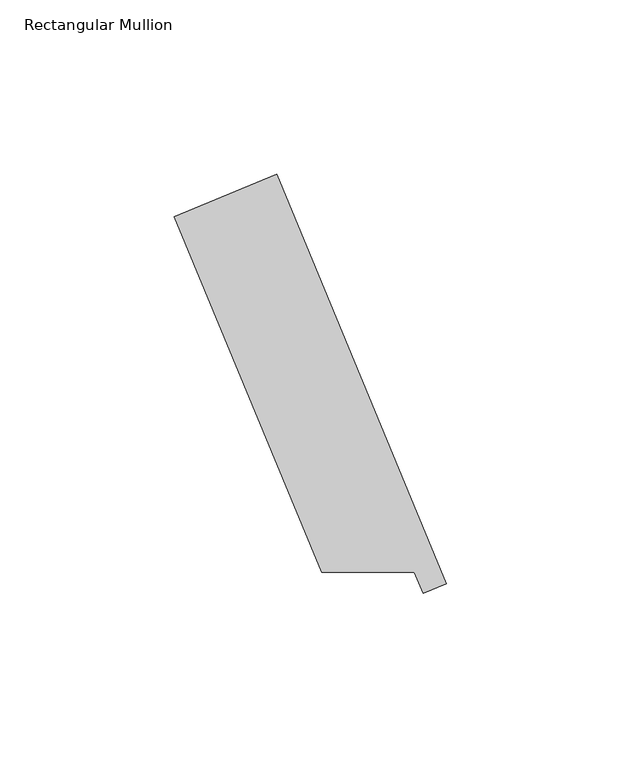
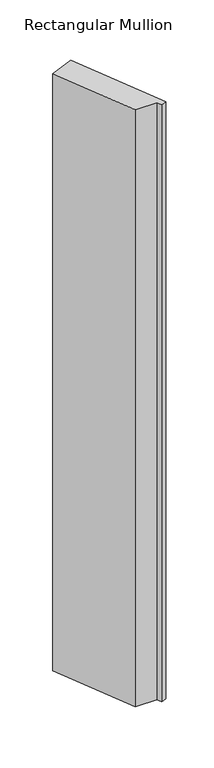
"""IFC4 building model written with IfcOpenShell, lengths in millimetres: member geometry, Rectangular Mullion."""

from ifc_helpers import new_model, si_unit, frame, origin, place, context, project, spatial, polyline, outline, extrude, source, transform, mapped, element, save


def rectangular_mullion_b7ddfa75(model_context):
    return source(origin(), model_context, "Body", "SweptSolid", [
        extrude(outline(polyline([(-11.8743633, 29.3725968), (-18.5138847, 26.622417), (-20.9665811, 32.54375), (-47.5538503, 32.54375), (-89.7782218, 134.4824003), (-60.4450466, 146.6325993), (-11.8743633, 29.3725968)])), frame((0.0, 0.0, -774.7), z_axis=(0.0, 0.0, 1.0), x_axis=(1.0, 0.0, 0.0)), (0.0, 0.0, 1.0), 774.7),
    ])


if __name__ == "__main__":
    model = new_model("IFC4")
    model_context = context("Model", 3, world=origin())
    ifc_project = project(units=[si_unit("LENGTHUNIT", "METRE", prefix="MILLI")], contexts=[model_context])
    site = spatial("IfcSite", under=ifc_project)
    building = spatial("IfcBuilding", under=site)
    placement = place(None, origin())
    rectangular_mullion_shape = rectangular_mullion_b7ddfa75(model_context)
    element("IfcMember", 1, ObjectType="Rectangular Mullion", at=placement, inside=building, context=model_context, shape_type="MappedRepresentation", body=[
        mapped(rectangular_mullion_shape, transform((0.0, 0.0, 0.0), x_axis=(1.0, 0.0, 0.0), y_axis=(0.0, 1.0, 0.0), z_axis=(0.0, 0.0, 1.0))),
    ])
    save(model, "model.ifc")
